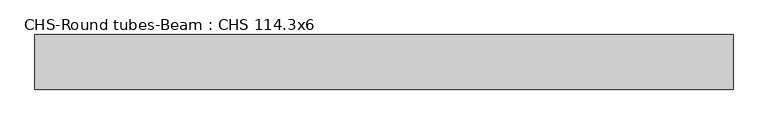
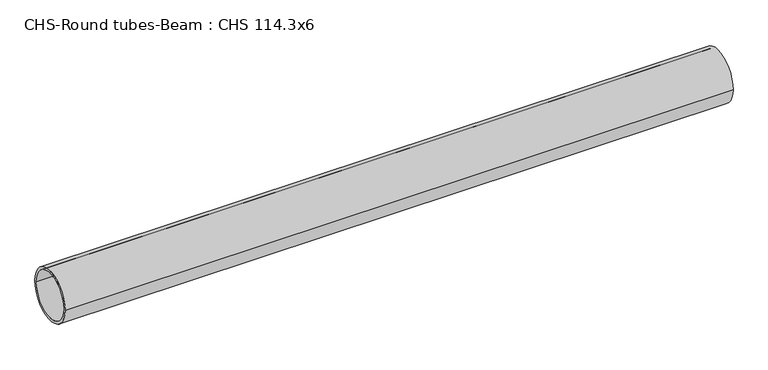
"""IFC4 building model written with IfcOpenShell, lengths in millimetres: beam geometry, CHS-Round tubes-Beam : CHS 114.3x6."""

import ifcopenshell
import ifcopenshell.guid

model = None  # the IFC model being written
_history = None  # IfcOwnerHistory: only IFC2X3 demands one
_inside = {}  # id of a spatial element -> (the spatial element, [elements in it])
_under = {}  # id of a project, library or spatial element -> (it, [spatial elements below it])
_declared = {}  # id of a project -> (the project, [libraries it declares])
_typed = {}  # id of a type object -> (the type object, [elements of that type])
_made_of = {}  # id of a material, layer set ... -> (it, [elements and type objects made of it])


def new_model(schema):
    """Start an empty IFC model of exactly this schema.

    Asked for "IFC4X3", IfcOpenShell would pick the latest addendum, in which some entities
    have other attributes; the version numbers below select the first issue.
    IFC2X3 requires an IfcOwnerHistory on every rooted entity: one is made here for all.
    """
    global model, _history
    if schema == "IFC4X3":
        model = ifcopenshell.file(schema_version=(4, 3, 0, 0))
    else:
        model = ifcopenshell.file(schema=schema)
    _inside.clear()
    _under.clear()
    _declared.clear()
    _typed.clear()
    _made_of.clear()
    _history = None
    if model.schema == "IFC2X3":
        org = make("IfcOrganization", Name="unknown")
        user = make(
            "IfcPersonAndOrganization",
            ThePerson=make("IfcPerson", FamilyName="unknown"),
            TheOrganization=org,
        )
        app = make(
            "IfcApplication",
            ApplicationDeveloper=org,
            Version="unknown",
            ApplicationFullName="unknown",
            ApplicationIdentifier="unknown",
        )
        _history = make(
            "IfcOwnerHistory",
            OwningUser=user,
            OwningApplication=app,
            ChangeAction="ADDED",
            CreationDate=0,
        )
    return model


def make(cls, **values):
    """One entity of the class cls with the attributes given. An attribute that is None is left unset."""
    return model.create_entity(
        cls, **{name: value for name, value in values.items() if value is not None}
    )


def rooted(cls, **values):
    """An entity with a GlobalId (a new one), such as an element, a storey or a relation."""
    return make(cls, GlobalId=ifcopenshell.guid.new(), OwnerHistory=_history, **values)


def si_unit(unit_type, name, prefix=None):
    """IfcSIUnit, for example si_unit("LENGTHUNIT", "METRE", prefix="MILLI")."""
    return make("IfcSIUnit", UnitType=unit_type, Prefix=prefix, Name=name)


def assignment(units):
    """IfcUnitAssignment: the units of a project."""
    return None if units is None else make("IfcUnitAssignment", Units=units)


def point(xyz):
    """IfcCartesianPoint."""
    return None if xyz is None else make("IfcCartesianPoint", Coordinates=xyz)


def direction(xyz):
    """IfcDirection."""
    return None if xyz is None else make("IfcDirection", DirectionRatios=xyz)


def frame(location, z_axis=None, x_axis=None):
    """IfcAxis2Placement3D, a coordinate frame: its origin and axes. An axis left out is left unset."""
    return make(
        "IfcAxis2Placement3D",
        Location=point(location),
        Axis=direction(z_axis),
        RefDirection=direction(x_axis),
    )


def frame_2d(location, x_axis=None):
    """IfcAxis2Placement2D, a coordinate frame in the plane: its origin and x axis."""
    return make(
        "IfcAxis2Placement2D", Location=point(location), RefDirection=direction(x_axis)
    )


def origin():
    """The frame at (0, 0, 0) with its axes left unset."""
    return frame((0.0, 0.0, 0.0))


def origin_2d():
    """The frame at (0, 0) in the plane with its x axis left unset."""
    return frame_2d((0.0, 0.0))


def place(relative_to, where):
    """IfcLocalPlacement: puts the frame where relative to a parent placement (None: the world)."""
    return make(
        "IfcLocalPlacement", PlacementRelTo=relative_to, RelativePlacement=where
    )


def context(
    kind, dimensions, precision=None, world=None, true_north=None, identifier=None
):
    """IfcGeometricRepresentationContext, for example the 3D "Model" context."""
    return make(
        "IfcGeometricRepresentationContext",
        ContextIdentifier=identifier,
        ContextType=kind,
        CoordinateSpaceDimension=dimensions,
        Precision=precision,
        WorldCoordinateSystem=world,
        TrueNorth=true_north,
    )


def project(units=None, contexts=None):
    """IfcProject with its units and contexts."""
    return rooted(
        "IfcProject",
        Name="project",
        RepresentationContexts=contexts,
        UnitsInContext=assignment(units),
    )


def spatial(cls, under=None, at=None, **own):
    """A site, building, storey or space (cls), placed at a placement, below another one or the project."""
    s = rooted(cls, ObjectPlacement=at, **own)
    if under is not None:
        _under.setdefault(under.id(), (under, []))[1].append(s)
    return s


def circle_curve(where, radius):
    """IfcCircle in the frame where."""
    return make("IfcCircle", Position=where, Radius=radius)


def trimmed(basis, trim1, trim2, sense, master):
    """IfcTrimmedCurve: the piece of a basis curve between two trims."""
    return make(
        "IfcTrimmedCurve",
        BasisCurve=basis,
        Trim1=trim1,
        Trim2=trim2,
        SenseAgreement=sense,
        MasterRepresentation=master,
    )


def segment(curve, same_sense, transition):
    """IfcCompositeCurveSegment."""
    return make(
        "IfcCompositeCurveSegment",
        Transition=transition,
        SameSense=same_sense,
        ParentCurve=curve,
    )


def composite_curve(segments, self_intersect=None):
    """IfcCompositeCurve: segments joined end to end."""
    return make("IfcCompositeCurve", Segments=segments, SelfIntersect=self_intersect)


def outline(outer, holes=None, kind="AREA"):
    """IfcArbitraryClosedProfileDef: a profile drawn as a closed curve; with holes, ...WithVoids."""
    if holes is None:
        return make("IfcArbitraryClosedProfileDef", ProfileType=kind, OuterCurve=outer)
    return make(
        "IfcArbitraryProfileDefWithVoids",
        ProfileType=kind,
        OuterCurve=outer,
        InnerCurves=holes,
    )


def extrude(swept, where, along, depth):
    """IfcExtrudedAreaSolid: the profile swept, set in the frame where, extruded along a direction by depth."""
    return make(
        "IfcExtrudedAreaSolid",
        SweptArea=swept,
        Position=where,
        ExtrudedDirection=direction(along),
        Depth=depth,
    )


def shape(context_of_items, identifier, shape_type, items):
    """IfcShapeRepresentation: the items that make up one representation, for example the "Body"."""
    return make(
        "IfcShapeRepresentation",
        ContextOfItems=context_of_items,
        RepresentationIdentifier=identifier,
        RepresentationType=shape_type,
        Items=items,
    )


def source(mapping_origin, context_of_items, identifier, shape_type, items):
    """IfcRepresentationMap: a shape defined once, which mapped items show again and again."""
    return make(
        "IfcRepresentationMap",
        MappingOrigin=mapping_origin,
        MappedRepresentation=shape(context_of_items, identifier, shape_type, items),
    )


def transform(
    local_origin,
    x_axis=None,
    y_axis=None,
    z_axis=None,
    scale=None,
    scale2=None,
    scale3=None,
    uniform=True,
):
    """IfcCartesianTransformationOperator3D, or its non-uniform kind. x_axis, y_axis, z_axis: its Axis1, 2, 3."""
    if uniform:
        return make(
            "IfcCartesianTransformationOperator3D",
            Axis1=direction(x_axis),
            Axis2=direction(y_axis),
            LocalOrigin=point(local_origin),
            Scale=scale,
            Axis3=direction(z_axis),
        )
    return make(
        "IfcCartesianTransformationOperator3DnonUniform",
        Axis1=direction(x_axis),
        Axis2=direction(y_axis),
        LocalOrigin=point(local_origin),
        Scale=scale,
        Axis3=direction(z_axis),
        Scale2=scale2,
        Scale3=scale3,
    )


def mapped(mapping_source, mapping_target):
    """IfcMappedItem: shows the shape of a source again, moved by a transform."""
    return make(
        "IfcMappedItem", MappingSource=mapping_source, MappingTarget=mapping_target
    )


def made_of(thing, what):
    """Note that an element or type object is made of a material, layer set ...; save() writes the relation."""
    if what is not None:
        _made_of.setdefault(what.id(), (what, []))[1].append(thing)
    return thing


def element(
    cls,
    number,
    at=None,
    inside=None,
    cuts=None,
    type_object=None,
    material=None,
    context=None,
    identifier="Body",
    shape_type=None,
    held_by="IfcProductDefinitionShape",
    body=None,
    shapes=None,
    **own,
):
    """One element of the class cls, such as IfcWall. Its Tag is "e" and its number.

    at: its placement. inside: the storey or other place that contains it. cuts: it is an
    opening in that element (IfcRelVoidsElement). A single representation is given by context,
    identifier, shape_type and body (its items); several are given by shapes. held_by: the class
    of the entity that holds the representations. save() writes the other relations.
    """
    e = rooted(cls, Tag="e%d" % number, ObjectPlacement=at, **own)
    if body is not None:
        shapes = [shape(context, identifier, shape_type, body)]
    if shapes is not None:
        e.Representation = make(held_by, Representations=shapes)
    if inside is not None:
        _inside.setdefault(inside.id(), (inside, []))[1].append(e)
    if cuts is not None:
        rooted(
            "IfcRelVoidsElement", RelatingBuildingElement=cuts, RelatedOpeningElement=e
        )
    if type_object is not None:
        _typed.setdefault(type_object.id(), (type_object, []))[1].append(e)
    return made_of(e, material)


def aggregate(whole, parts):
    """IfcRelAggregates: a whole, such as a stair, and the parts it consists of."""
    return rooted("IfcRelAggregates", RelatingObject=whole, RelatedObjects=parts)


def save(model, path):
    """Write the relations noted so far, then the file.

    IfcRelAggregates (storeys below a building ...), IfcRelContainedInSpatialStructure (elements
    in a storey), IfcRelDefinesByType, IfcRelAssociatesMaterial and IfcRelDeclares: one each for
    every whole, place, type object, material and project.
    """
    for whole, parts in _under.values():
        aggregate(whole, parts)
    for where, things in _inside.values():
        rooted(
            "IfcRelContainedInSpatialStructure",
            RelatedElements=things,
            RelatingStructure=where,
        )
    for kind, things in _typed.values():
        rooted("IfcRelDefinesByType", RelatedObjects=things, RelatingType=kind)
    for what, things in _made_of.values():
        rooted("IfcRelAssociatesMaterial", RelatedObjects=things, RelatingMaterial=what)
    for by, libraries in _declared.values():
        rooted("IfcRelDeclares", RelatingContext=by, RelatedDefinitions=libraries)
    model.write(path)


def chs_round_tubes_beam_chs_114_3x6_08fb6b93(model_context):
    return source(origin(), model_context, "Body", "SweptSolid", [
        extrude(outline(composite_curve([segment(trimmed(circle_curve(origin_2d(), 57.15), [point((57.15, 0.0))], [point((-57.15, 0.0))], False, "CARTESIAN"), True, "CONTINUOUS"), segment(trimmed(circle_curve(origin_2d(), 57.15), [point((-57.15, 0.0))], [point((57.15, 0.0))], False, "CARTESIAN"), True, "CONTINUOUS")], self_intersect=False), holes=[composite_curve([segment(trimmed(circle_curve(origin_2d(), 51.15), [point((51.15, 0.0))], [point((-51.15, 0.0))], True, "CARTESIAN"), True, "CONTINUOUS"), segment(trimmed(circle_curve(origin_2d(), 51.15), [point((-51.15, 0.0))], [point((51.15, 0.0))], True, "CARTESIAN"), True, "CONTINUOUS")], self_intersect=False)]), frame((-744.4520272, 0.0, 0.0), z_axis=(1.0, 0.0, 0.0), x_axis=(0.0, 1.0, 0.0)), (0.0, 0.0, 1.0), 1460.0998297),
    ])


if __name__ == "__main__":
    model = new_model("IFC4")
    model_context = context("Model", 3, world=origin())
    ifc_project = project(units=[si_unit("LENGTHUNIT", "METRE", prefix="MILLI")], contexts=[model_context])
    site = spatial("IfcSite", under=ifc_project)
    building = spatial("IfcBuilding", under=site)
    placement = place(None, origin())
    chs_round_tubes_beam_chs_114_3x6_shape = chs_round_tubes_beam_chs_114_3x6_08fb6b93(model_context)
    element("IfcBeam", 1, ObjectType="CHS-Round tubes-Beam : CHS 114.3x6", at=placement, inside=building, context=model_context, shape_type="MappedRepresentation", body=[
        mapped(chs_round_tubes_beam_chs_114_3x6_shape, transform((0.0, 0.0, 0.0), x_axis=(1.0, 0.0, 0.0), y_axis=(0.0, 1.0, 0.0), z_axis=(0.0, 0.0, 1.0))),
    ])
    save(model, "model.ifc")
